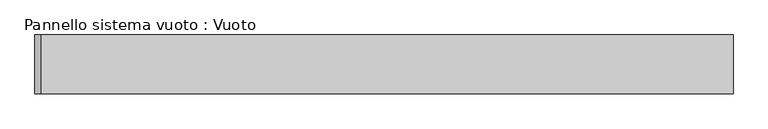
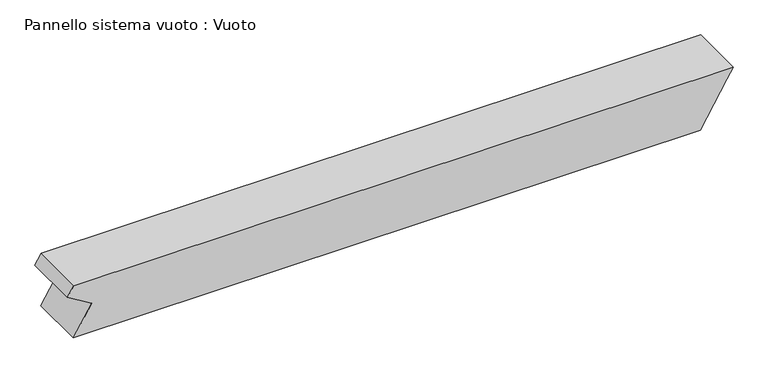
"""IFC4 building model written with IfcOpenShell, lengths in millimetres: plate geometry, Pannello sistema vuoto : Vuoto."""

from ifc_helpers import new_model, si_unit, frame, origin, place, context, project, spatial, polyline, outline, extrude, source, transform, mapped, element, save


def pannello_sistema_vuoto_vuoto_8849878e(model_context):
    return source(origin(), model_context, "Body", "SweptSolid", [
        extrude(outline(polyline([(0.0, -580.5567198), (0.0, 533.0025779), (79.6831024, 580.4090422), (98.0394933, 591.3299471), (98.0394933, -580.4090422), (79.6831024, -591.3299471), (54.1184481, -548.3596266), (0.0, -580.5567198)])), frame((0.0, 50.0, 0.0), z_axis=(0.0, 1.0, 0.0), x_axis=(0.0, 0.0, 1.0)), (0.0, 0.0, 1.0), 100.0),
    ])


if __name__ == "__main__":
    model = new_model("IFC4")
    model_context = context("Model", 3, world=origin())
    ifc_project = project(units=[si_unit("LENGTHUNIT", "METRE", prefix="MILLI")], contexts=[model_context])
    site = spatial("IfcSite", under=ifc_project)
    building = spatial("IfcBuilding", under=site)
    placement = place(None, origin())
    pannello_sistema_vuoto_vuoto_shape = pannello_sistema_vuoto_vuoto_8849878e(model_context)
    element("IfcPlate", 1, ObjectType="Pannello sistema vuoto : Vuoto", at=placement, inside=building, context=model_context, shape_type="MappedRepresentation", body=[
        mapped(pannello_sistema_vuoto_vuoto_shape, transform((0.0, 0.0, 0.0), x_axis=(1.0, 0.0, 0.0), y_axis=(0.0, 1.0, 0.0), z_axis=(0.0, 0.0, 1.0))),
    ])
    save(model, "model.ifc")
